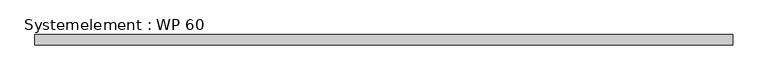
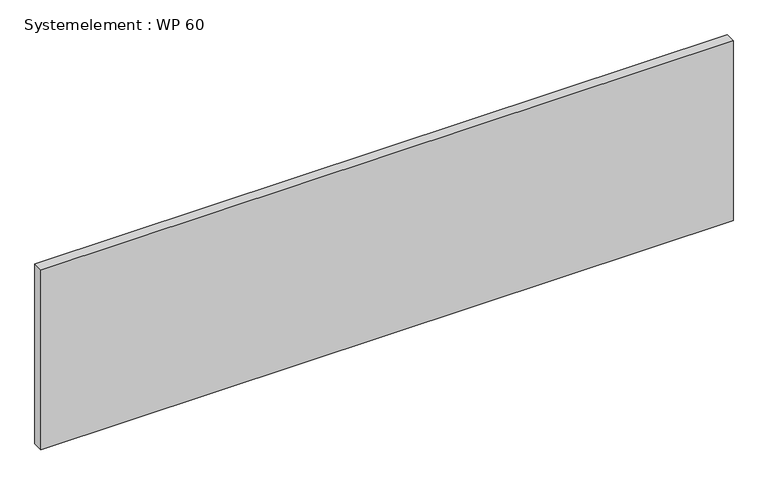
"""IFC4 building model written with IfcOpenShell, lengths in millimetres: plate geometry, Systemelement : WP 60."""

from ifc_helpers import new_model, si_unit, origin, origin_with_axes, place, context, project, spatial, polyline, outline, extrude, source, transform, mapped, element, save


def systemelement_wp_60_902fe60c(model_context):
    return source(origin(), model_context, "Body", "SweptSolid", [
        extrude(outline(polyline([(2000.0, -60.0), (-2000.0, -60.0), (-2000.0, 0.0), (2000.0, 0.0), (2000.0, -60.0)])), origin_with_axes(), (0.0, 0.0, 1.0), 1100.0),
    ])


if __name__ == "__main__":
    model = new_model("IFC4")
    model_context = context("Model", 3, world=origin())
    ifc_project = project(units=[si_unit("LENGTHUNIT", "METRE", prefix="MILLI")], contexts=[model_context])
    site = spatial("IfcSite", under=ifc_project)
    building = spatial("IfcBuilding", under=site)
    placement = place(None, origin())
    systemelement_wp_60_shape = systemelement_wp_60_902fe60c(model_context)
    element("IfcPlate", 1, ObjectType="Systemelement : WP 60", at=placement, inside=building, context=model_context, shape_type="MappedRepresentation", body=[
        mapped(systemelement_wp_60_shape, transform((0.0, 0.0, 0.0), x_axis=(1.0, 0.0, 0.0), y_axis=(0.0, 1.0, 0.0), z_axis=(0.0, 0.0, 1.0))),
    ])
    save(model, "model.ifc")
